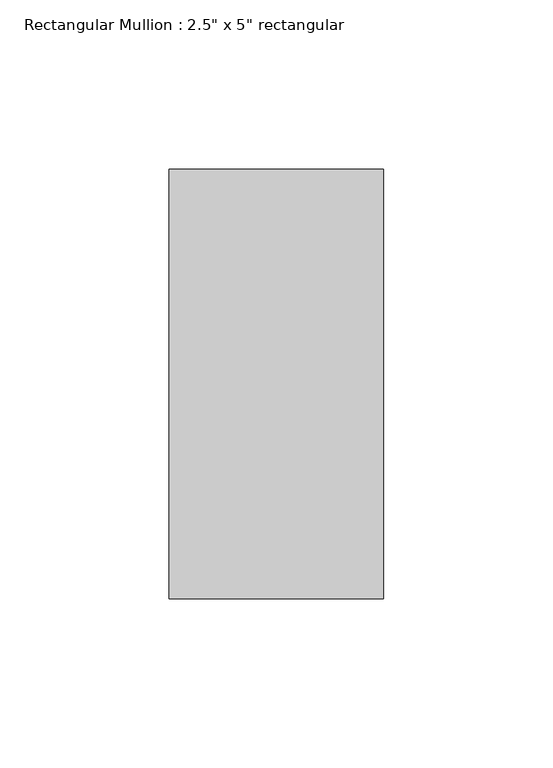
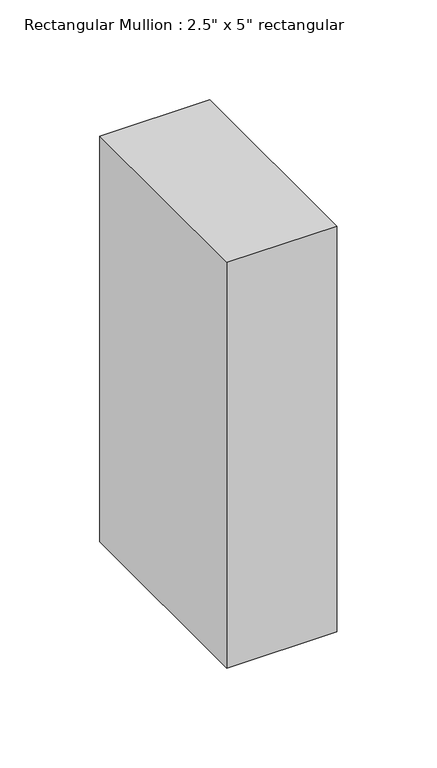
"""IFC4 building model written with IfcOpenShell, lengths in millimetres: member geometry."""

from ifc_helpers import new_model, si_unit, frame, origin, place, context, project, spatial, polyline, outline, extrude, source, transform, mapped, element, save


def member_ff182733(model_context):
    return source(origin(), model_context, "Body", "SweptSolid", [
        extrude(outline(polyline([(31.75, 63.5), (31.75, -63.5), (-31.75, -63.5), (-31.75, 63.5), (31.75, 63.5)])), frame((0.0, 0.0, -247.65), z_axis=(0.0, 0.0, 1.0), x_axis=(1.0, 0.0, 0.0)), (0.0, 0.0, 1.0), 247.65),
    ])


if __name__ == "__main__":
    model = new_model("IFC4")
    model_context = context("Model", 3, world=origin())
    ifc_project = project(units=[si_unit("LENGTHUNIT", "METRE", prefix="MILLI")], contexts=[model_context])
    site = spatial("IfcSite", under=ifc_project)
    building = spatial("IfcBuilding", under=site)
    placement = place(None, origin())
    member_shape = member_ff182733(model_context)
    element("IfcMember", 1, ObjectType="Rectangular Mullion : 2.5\" x 5\" rectangular", at=placement, inside=building, context=model_context, shape_type="MappedRepresentation", body=[
        mapped(member_shape, transform((0.0, 0.0, 0.0), x_axis=(1.0, 0.0, 0.0), y_axis=(0.0, 1.0, 0.0), z_axis=(0.0, 0.0, 1.0))),
    ])
    save(model, "model.ifc")
